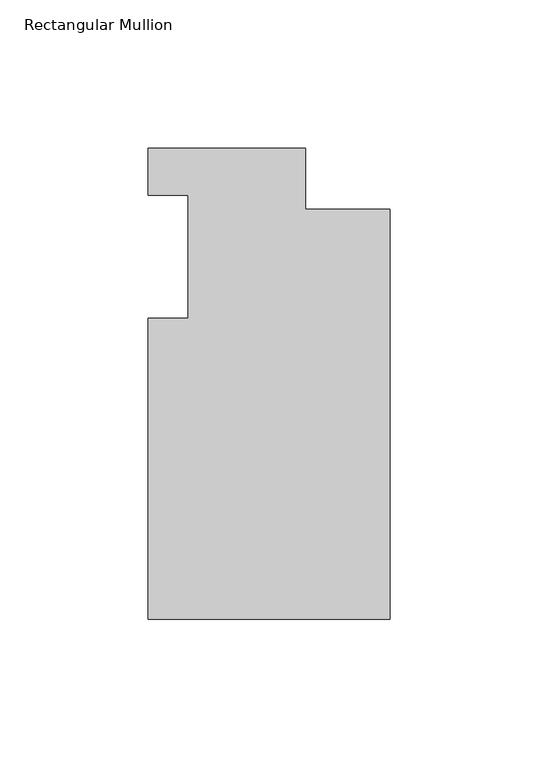
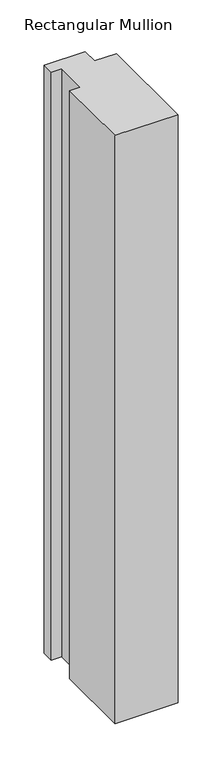
"""IFC4 building model written with IfcOpenShell, lengths in millimetres: member geometry, Rectangular Mullion."""

from ifc_helpers import new_model, si_unit, frame, origin, place, context, project, spatial, polyline, outline, extrude, source, transform, mapped, element, save


def rectangular_mullion_5a60ebfa(model_context):
    return source(origin(), model_context, "Body", "SweptSolid", [
        extrude(outline(polyline([(-53.1622, -108.346875), (-53.1622, -6.746875), (-39.6621, -6.746875), (-39.6621, 34.883725), (-53.1622, 34.883725), (-53.1622, 50.758725), (0.0254, 50.758725), (0.0254, 30.1299562), (28.6004, 30.1299562), (28.6004, -108.346875), (-53.1622, -108.346875)])), frame((0.0, 0.0, -807.9278414), z_axis=(0.0, 0.0, 1.0), x_axis=(1.0, 0.0, 0.0)), (0.0, 0.0, 1.0), 807.9278414),
    ])


if __name__ == "__main__":
    model = new_model("IFC4")
    model_context = context("Model", 3, world=origin())
    ifc_project = project(units=[si_unit("LENGTHUNIT", "METRE", prefix="MILLI")], contexts=[model_context])
    site = spatial("IfcSite", under=ifc_project)
    building = spatial("IfcBuilding", under=site)
    placement = place(None, origin())
    rectangular_mullion_shape = rectangular_mullion_5a60ebfa(model_context)
    element("IfcMember", 1, ObjectType="Rectangular Mullion", at=placement, inside=building, context=model_context, shape_type="MappedRepresentation", body=[
        mapped(rectangular_mullion_shape, transform((0.0, 0.0, 0.0), x_axis=(1.0, 0.0, 0.0), y_axis=(0.0, 1.0, 0.0), z_axis=(0.0, 0.0, 1.0))),
    ])
    save(model, "model.ifc")
